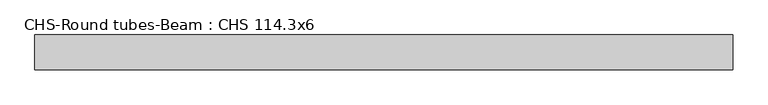
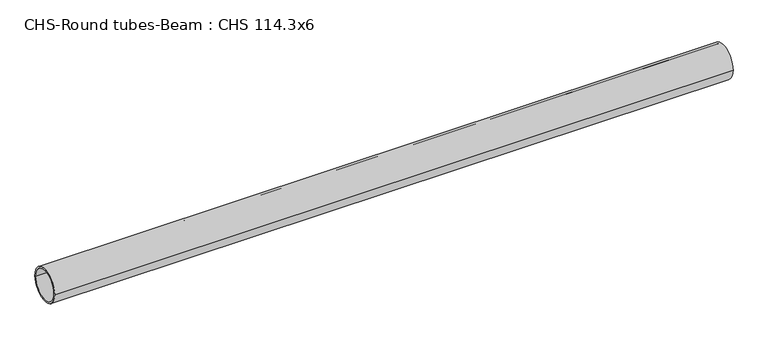
"""IFC4 building model written with IfcOpenShell, lengths in millimetres: beam geometry, CHS-Round tubes-Beam : CHS 114.3x6."""

from ifc_helpers import new_model, si_unit, point, frame, origin, origin_2d, place, context, project, spatial, circle_curve, trimmed, segment, composite_curve, outline, extrude, source, transform, mapped, element, save


def chs_round_tubes_beam_chs_114_3x6_3fe36649(model_context):
    return source(origin(), model_context, "Body", "SweptSolid", [
        extrude(outline(composite_curve([segment(trimmed(circle_curve(origin_2d(), 57.15), [point((57.15, 0.0))], [point((-57.15, 0.0))], False, "CARTESIAN"), True, "CONTINUOUS"), segment(trimmed(circle_curve(origin_2d(), 57.15), [point((-57.15, 0.0))], [point((57.15, 0.0))], False, "CARTESIAN"), True, "CONTINUOUS")], self_intersect=False), holes=[composite_curve([segment(trimmed(circle_curve(origin_2d(), 51.15), [point((51.15, 0.0))], [point((-51.15, 0.0))], True, "CARTESIAN"), True, "CONTINUOUS"), segment(trimmed(circle_curve(origin_2d(), 51.15), [point((-51.15, 0.0))], [point((51.15, 0.0))], True, "CARTESIAN"), True, "CONTINUOUS")], self_intersect=False)]), frame((-1125.479737, 0.0, 0.0), z_axis=(1.0, 0.0, 0.0), x_axis=(0.0, 1.0, 0.0)), (0.0, 0.0, 1.0), 2282.5364159),
    ])


if __name__ == "__main__":
    model = new_model("IFC4")
    model_context = context("Model", 3, world=origin())
    ifc_project = project(units=[si_unit("LENGTHUNIT", "METRE", prefix="MILLI")], contexts=[model_context])
    site = spatial("IfcSite", under=ifc_project)
    building = spatial("IfcBuilding", under=site)
    placement = place(None, origin())
    chs_round_tubes_beam_chs_114_3x6_shape = chs_round_tubes_beam_chs_114_3x6_3fe36649(model_context)
    element("IfcBeam", 1, ObjectType="CHS-Round tubes-Beam : CHS 114.3x6", at=placement, inside=building, context=model_context, shape_type="MappedRepresentation", body=[
        mapped(chs_round_tubes_beam_chs_114_3x6_shape, transform((0.0, 0.0, 0.0), x_axis=(1.0, 0.0, 0.0), y_axis=(0.0, 1.0, 0.0), z_axis=(0.0, 0.0, 1.0))),
    ])
    save(model, "model.ifc")
